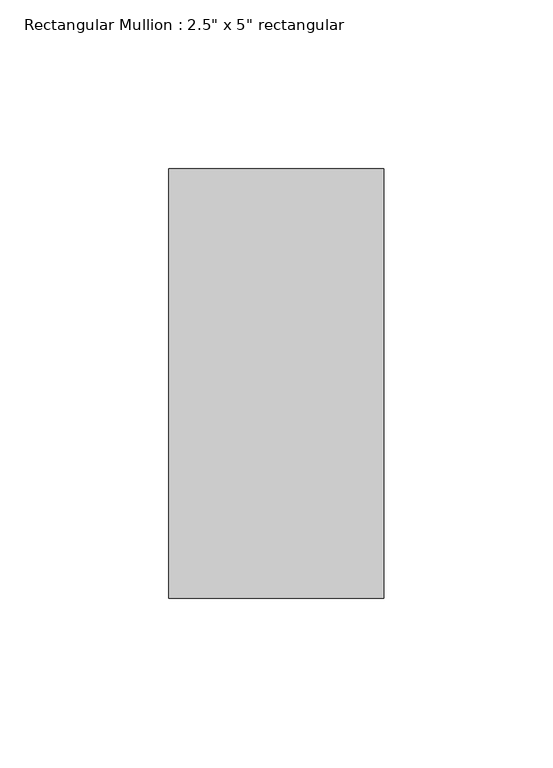
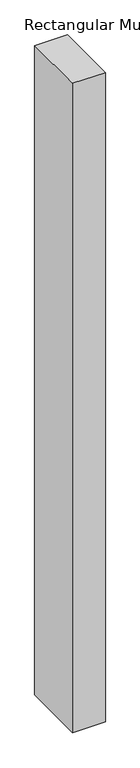
"""IFC4 building model written with IfcOpenShell, lengths in millimetres: member geometry."""

from ifc_helpers import new_model, si_unit, frame, origin, place, context, project, spatial, polyline, outline, extrude, source, transform, mapped, element, save


def member_3342cf37(model_context):
    return source(origin(), model_context, "Body", "SweptSolid", [
        extrude(outline(polyline([(31.75, 63.5), (31.75, -63.5), (-31.75, -63.5), (-31.75, 63.5), (31.75, 63.5)])), frame((0.0, 0.0, -1329.8333333), z_axis=(0.0, 0.0, 1.0), x_axis=(1.0, 0.0, 0.0)), (0.0, 0.0, 1.0), 1329.8333333),
    ])


if __name__ == "__main__":
    model = new_model("IFC4")
    model_context = context("Model", 3, world=origin())
    ifc_project = project(units=[si_unit("LENGTHUNIT", "METRE", prefix="MILLI")], contexts=[model_context])
    site = spatial("IfcSite", under=ifc_project)
    building = spatial("IfcBuilding", under=site)
    placement = place(None, origin())
    member_shape = member_3342cf37(model_context)
    element("IfcMember", 1, ObjectType="Rectangular Mullion : 2.5\" x 5\" rectangular", at=placement, inside=building, context=model_context, shape_type="MappedRepresentation", body=[
        mapped(member_shape, transform((0.0, 0.0, 0.0), x_axis=(1.0, 0.0, 0.0), y_axis=(0.0, 1.0, 0.0), z_axis=(0.0, 0.0, 1.0))),
    ])
    save(model, "model.ifc")
